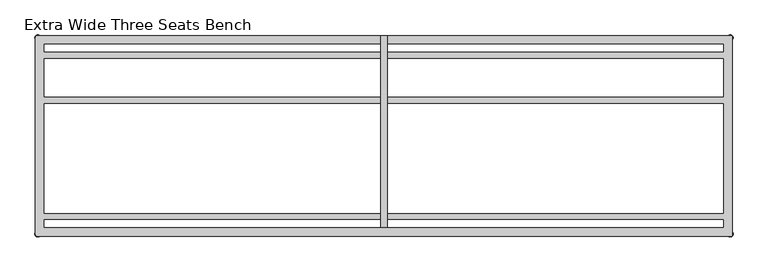
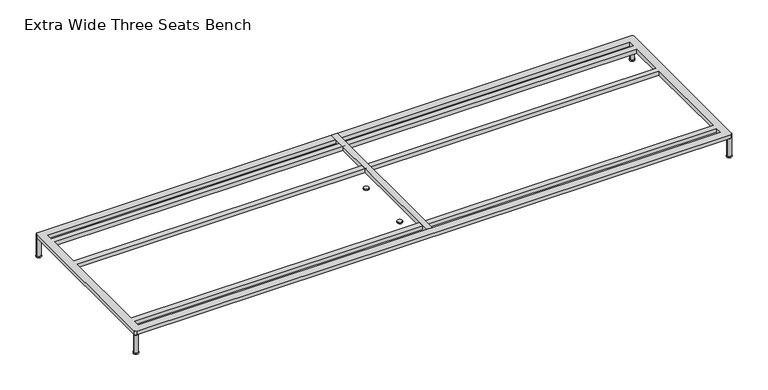
"""IFC4 building model written with IfcOpenShell, lengths in millimetres: furniture geometry, Extra Wide Three Seats Bench."""

import ifcopenshell
import ifcopenshell.guid

model = None  # the IFC model being written
_history = None  # IfcOwnerHistory: only IFC2X3 demands one
_inside = {}  # id of a spatial element -> (the spatial element, [elements in it])
_under = {}  # id of a project, library or spatial element -> (it, [spatial elements below it])
_declared = {}  # id of a project -> (the project, [libraries it declares])
_typed = {}  # id of a type object -> (the type object, [elements of that type])
_made_of = {}  # id of a material, layer set ... -> (it, [elements and type objects made of it])


def new_model(schema):
    """Start an empty IFC model of exactly this schema.

    Asked for "IFC4X3", IfcOpenShell would pick the latest addendum, in which some entities
    have other attributes; the version numbers below select the first issue.
    IFC2X3 requires an IfcOwnerHistory on every rooted entity: one is made here for all.
    """
    global model, _history
    if schema == "IFC4X3":
        model = ifcopenshell.file(schema_version=(4, 3, 0, 0))
    else:
        model = ifcopenshell.file(schema=schema)
    _inside.clear()
    _under.clear()
    _declared.clear()
    _typed.clear()
    _made_of.clear()
    _history = None
    if model.schema == "IFC2X3":
        org = make("IfcOrganization", Name="unknown")
        user = make(
            "IfcPersonAndOrganization",
            ThePerson=make("IfcPerson", FamilyName="unknown"),
            TheOrganization=org,
        )
        app = make(
            "IfcApplication",
            ApplicationDeveloper=org,
            Version="unknown",
            ApplicationFullName="unknown",
            ApplicationIdentifier="unknown",
        )
        _history = make(
            "IfcOwnerHistory",
            OwningUser=user,
            OwningApplication=app,
            ChangeAction="ADDED",
            CreationDate=0,
        )
    return model


def make(cls, **values):
    """One entity of the class cls with the attributes given. An attribute that is None is left unset."""
    return model.create_entity(
        cls, **{name: value for name, value in values.items() if value is not None}
    )


def rooted(cls, **values):
    """An entity with a GlobalId (a new one), such as an element, a storey or a relation."""
    return make(cls, GlobalId=ifcopenshell.guid.new(), OwnerHistory=_history, **values)


def si_unit(unit_type, name, prefix=None):
    """IfcSIUnit, for example si_unit("LENGTHUNIT", "METRE", prefix="MILLI")."""
    return make("IfcSIUnit", UnitType=unit_type, Prefix=prefix, Name=name)


def assignment(units):
    """IfcUnitAssignment: the units of a project."""
    return None if units is None else make("IfcUnitAssignment", Units=units)


def point(xyz):
    """IfcCartesianPoint."""
    return None if xyz is None else make("IfcCartesianPoint", Coordinates=xyz)


def direction(xyz):
    """IfcDirection."""
    return None if xyz is None else make("IfcDirection", DirectionRatios=xyz)


def frame(location, z_axis=None, x_axis=None):
    """IfcAxis2Placement3D, a coordinate frame: its origin and axes. An axis left out is left unset."""
    return make(
        "IfcAxis2Placement3D",
        Location=point(location),
        Axis=direction(z_axis),
        RefDirection=direction(x_axis),
    )


def frame_2d(location, x_axis=None):
    """IfcAxis2Placement2D, a coordinate frame in the plane: its origin and x axis."""
    return make(
        "IfcAxis2Placement2D", Location=point(location), RefDirection=direction(x_axis)
    )


def origin():
    """The frame at (0, 0, 0) with its axes left unset."""
    return frame((0.0, 0.0, 0.0))


def origin_with_axes():
    """The frame at (0, 0, 0) with the z axis (0, 0, 1) and the x axis (1, 0, 0) written out."""
    return frame((0.0, 0.0, 0.0), z_axis=(0.0, 0.0, 1.0), x_axis=(1.0, 0.0, 0.0))


def place(relative_to, where):
    """IfcLocalPlacement: puts the frame where relative to a parent placement (None: the world)."""
    return make(
        "IfcLocalPlacement", PlacementRelTo=relative_to, RelativePlacement=where
    )


def context(
    kind, dimensions, precision=None, world=None, true_north=None, identifier=None
):
    """IfcGeometricRepresentationContext, for example the 3D "Model" context."""
    return make(
        "IfcGeometricRepresentationContext",
        ContextIdentifier=identifier,
        ContextType=kind,
        CoordinateSpaceDimension=dimensions,
        Precision=precision,
        WorldCoordinateSystem=world,
        TrueNorth=true_north,
    )


def project(units=None, contexts=None):
    """IfcProject with its units and contexts."""
    return rooted(
        "IfcProject",
        Name="project",
        RepresentationContexts=contexts,
        UnitsInContext=assignment(units),
    )


def spatial(cls, under=None, at=None, **own):
    """A site, building, storey or space (cls), placed at a placement, below another one or the project."""
    s = rooted(cls, ObjectPlacement=at, **own)
    if under is not None:
        _under.setdefault(under.id(), (under, []))[1].append(s)
    return s


def polyline(points):
    """IfcPolyline through the points."""
    return make("IfcPolyline", Points=[point(p) for p in points])


def circle_curve(where, radius):
    """IfcCircle in the frame where."""
    return make("IfcCircle", Position=where, Radius=radius)


def trimmed(basis, trim1, trim2, sense, master):
    """IfcTrimmedCurve: the piece of a basis curve between two trims."""
    return make(
        "IfcTrimmedCurve",
        BasisCurve=basis,
        Trim1=trim1,
        Trim2=trim2,
        SenseAgreement=sense,
        MasterRepresentation=master,
    )


def segment(curve, same_sense, transition):
    """IfcCompositeCurveSegment."""
    return make(
        "IfcCompositeCurveSegment",
        Transition=transition,
        SameSense=same_sense,
        ParentCurve=curve,
    )


def composite_curve(segments, self_intersect=None):
    """IfcCompositeCurve: segments joined end to end."""
    return make("IfcCompositeCurve", Segments=segments, SelfIntersect=self_intersect)


def outline(outer, holes=None, kind="AREA"):
    """IfcArbitraryClosedProfileDef: a profile drawn as a closed curve; with holes, ...WithVoids."""
    if holes is None:
        return make("IfcArbitraryClosedProfileDef", ProfileType=kind, OuterCurve=outer)
    return make(
        "IfcArbitraryProfileDefWithVoids",
        ProfileType=kind,
        OuterCurve=outer,
        InnerCurves=holes,
    )


def extrude(swept, where, along, depth):
    """IfcExtrudedAreaSolid: the profile swept, set in the frame where, extruded along a direction by depth."""
    return make(
        "IfcExtrudedAreaSolid",
        SweptArea=swept,
        Position=where,
        ExtrudedDirection=direction(along),
        Depth=depth,
    )


def shape(context_of_items, identifier, shape_type, items):
    """IfcShapeRepresentation: the items that make up one representation, for example the "Body"."""
    return make(
        "IfcShapeRepresentation",
        ContextOfItems=context_of_items,
        RepresentationIdentifier=identifier,
        RepresentationType=shape_type,
        Items=items,
    )


def source(mapping_origin, context_of_items, identifier, shape_type, items):
    """IfcRepresentationMap: a shape defined once, which mapped items show again and again."""
    return make(
        "IfcRepresentationMap",
        MappingOrigin=mapping_origin,
        MappedRepresentation=shape(context_of_items, identifier, shape_type, items),
    )


def transform(
    local_origin,
    x_axis=None,
    y_axis=None,
    z_axis=None,
    scale=None,
    scale2=None,
    scale3=None,
    uniform=True,
):
    """IfcCartesianTransformationOperator3D, or its non-uniform kind. x_axis, y_axis, z_axis: its Axis1, 2, 3."""
    if uniform:
        return make(
            "IfcCartesianTransformationOperator3D",
            Axis1=direction(x_axis),
            Axis2=direction(y_axis),
            LocalOrigin=point(local_origin),
            Scale=scale,
            Axis3=direction(z_axis),
        )
    return make(
        "IfcCartesianTransformationOperator3DnonUniform",
        Axis1=direction(x_axis),
        Axis2=direction(y_axis),
        LocalOrigin=point(local_origin),
        Scale=scale,
        Axis3=direction(z_axis),
        Scale2=scale2,
        Scale3=scale3,
    )


def mapped(mapping_source, mapping_target):
    """IfcMappedItem: shows the shape of a source again, moved by a transform."""
    return make(
        "IfcMappedItem", MappingSource=mapping_source, MappingTarget=mapping_target
    )


def made_of(thing, what):
    """Note that an element or type object is made of a material, layer set ...; save() writes the relation."""
    if what is not None:
        _made_of.setdefault(what.id(), (what, []))[1].append(thing)
    return thing


def element(
    cls,
    number,
    at=None,
    inside=None,
    cuts=None,
    type_object=None,
    material=None,
    context=None,
    identifier="Body",
    shape_type=None,
    held_by="IfcProductDefinitionShape",
    body=None,
    shapes=None,
    **own,
):
    """One element of the class cls, such as IfcWall. Its Tag is "e" and its number.

    at: its placement. inside: the storey or other place that contains it. cuts: it is an
    opening in that element (IfcRelVoidsElement). A single representation is given by context,
    identifier, shape_type and body (its items); several are given by shapes. held_by: the class
    of the entity that holds the representations. save() writes the other relations.
    """
    e = rooted(cls, Tag="e%d" % number, ObjectPlacement=at, **own)
    if body is not None:
        shapes = [shape(context, identifier, shape_type, body)]
    if shapes is not None:
        e.Representation = make(held_by, Representations=shapes)
    if inside is not None:
        _inside.setdefault(inside.id(), (inside, []))[1].append(e)
    if cuts is not None:
        rooted(
            "IfcRelVoidsElement", RelatingBuildingElement=cuts, RelatedOpeningElement=e
        )
    if type_object is not None:
        _typed.setdefault(type_object.id(), (type_object, []))[1].append(e)
    return made_of(e, material)


def aggregate(whole, parts):
    """IfcRelAggregates: a whole, such as a stair, and the parts it consists of."""
    return rooted("IfcRelAggregates", RelatingObject=whole, RelatedObjects=parts)


def save(model, path):
    """Write the relations noted so far, then the file.

    IfcRelAggregates (storeys below a building ...), IfcRelContainedInSpatialStructure (elements
    in a storey), IfcRelDefinesByType, IfcRelAssociatesMaterial and IfcRelDeclares: one each for
    every whole, place, type object, material and project.
    """
    for whole, parts in _under.values():
        aggregate(whole, parts)
    for where, things in _inside.values():
        rooted(
            "IfcRelContainedInSpatialStructure",
            RelatedElements=things,
            RelatingStructure=where,
        )
    for kind, things in _typed.values():
        rooted("IfcRelDefinesByType", RelatedObjects=things, RelatingType=kind)
    for what, things in _made_of.values():
        rooted("IfcRelAssociatesMaterial", RelatedObjects=things, RelatingMaterial=what)
    for by, libraries in _declared.values():
        rooted("IfcRelDeclares", RelatingContext=by, RelatedDefinitions=libraries)
    model.write(path)


def extra_wide_three_seats_bench_c3a6f9d3(model_context):
    return source(origin(), model_context, "Body", "SweptSolid", [
        extrude(outline(composite_curve([segment(trimmed(circle_curve(frame_2d((-155.4452882, -433.7002937)), 12.5000005), [point((-167.9452886, -433.7002937))], [point((-142.9452877, -433.7002937))], False, "CARTESIAN"), True, "CONTINUOUS"), segment(trimmed(circle_curve(frame_2d((-155.4452882, -433.7002937)), 12.5000005), [point((-142.9452877, -433.7002937))], [point((-167.9452886, -433.7002937))], False, "CARTESIAN"), True, "CONTINUOUS")], self_intersect=False)), origin_with_axes(), (0.0, 0.0, 1.0), 6.0),
        extrude(outline(composite_curve([segment(trimmed(circle_curve(frame_2d((-155.4452882, -133.6667163)), 12.5000005), [point((-167.9452886, -133.6667163))], [point((-142.9452877, -133.6667163))], False, "CARTESIAN"), True, "CONTINUOUS"), segment(trimmed(circle_curve(frame_2d((-155.4452882, -133.6667163)), 12.5000005), [point((-142.9452877, -133.6667163))], [point((-167.9452886, -133.6667163))], False, "CARTESIAN"), True, "CONTINUOUS")], self_intersect=False)), origin_with_axes(), (0.0, 0.0, 1.0), 6.0),
        extrude(outline(polyline([(-169.7406049, -696.2002953), (-169.7406049, 153.6358637), (-139.7406192, 153.6358637), (-139.7406192, -696.2002953), (-169.7406049, -696.2002953)])), frame((0.0, 0.0, 103.6569541), z_axis=(0.0, 0.0, 1.0), x_axis=(1.0, 0.0, 0.0)), (0.0, 0.0, 1.0), 20.3430443),
        extrude(outline(composite_curve([segment(trimmed(circle_curve(frame_2d((-1689.070311, 143.787786)), 12.5000005), [point((-1701.5703115, 143.787786))], [point((-1676.5703105, 143.787786))], False, "CARTESIAN"), True, "CONTINUOUS"), segment(trimmed(circle_curve(frame_2d((-1689.070311, 143.787786)), 12.5000005), [point((-1676.5703105, 143.787786))], [point((-1701.5703115, 143.787786))], False, "CARTESIAN"), True, "CONTINUOUS")], self_intersect=False)), origin_with_axes(), (0.0, 0.0, 1.0), 6.0),
        extrude(outline(composite_curve([segment(trimmed(circle_curve(frame_2d((-1689.070311, -726.2491859)), 12.5000005), [point((-1701.5703115, -726.2491859))], [point((-1676.5703105, -726.2491859))], False, "CARTESIAN"), True, "CONTINUOUS"), segment(trimmed(circle_curve(frame_2d((-1689.070311, -726.2491859)), 12.5000005), [point((-1676.5703105, -726.2491859))], [point((-1701.5703115, -726.2491859))], False, "CARTESIAN"), True, "CONTINUOUS")], self_intersect=False)), origin_with_axes(), (0.0, 0.0, 1.0), 6.0),
        extrude(outline(composite_curve([segment(trimmed(circle_curve(frame_2d((1379.7672347, 143.787786)), 12.5000005), [point((1367.2672342, 143.787786))], [point((1392.2672352, 143.787786))], False, "CARTESIAN"), True, "CONTINUOUS"), segment(trimmed(circle_curve(frame_2d((1379.7672347, 143.787786)), 12.5000005), [point((1392.2672352, 143.787786))], [point((1367.2672342, 143.787786))], False, "CARTESIAN"), True, "CONTINUOUS")], self_intersect=False)), origin_with_axes(), (0.0, 0.0, 1.0), 6.0),
        extrude(outline(composite_curve([segment(trimmed(circle_curve(frame_2d((1379.6726028, -726.2033172)), 12.5000005), [point((1367.1726024, -726.2033172))], [point((1392.1726033, -726.2033172))], False, "CARTESIAN"), True, "CONTINUOUS"), segment(trimmed(circle_curve(frame_2d((1379.6726028, -726.2033172)), 12.5000005), [point((1392.1726033, -726.2033172))], [point((1367.1726024, -726.2033172))], False, "CARTESIAN"), True, "CONTINUOUS")], self_intersect=False)), origin_with_axes(), (0.0, 0.0, 1.0), 6.0),
        extrude(outline(composite_curve([segment(trimmed(circle_curve(frame_2d((-1689.070311, 143.787786)), 10.4664203), [point((-1699.5367314, 143.787786))], [point((-1678.6038907, 143.787786))], False, "CARTESIAN"), True, "CONTINUOUS"), segment(trimmed(circle_curve(frame_2d((-1689.070311, 143.787786)), 10.4664203), [point((-1678.6038907, 143.787786))], [point((-1699.5367314, 143.787786))], False, "CARTESIAN"), True, "CONTINUOUS")], self_intersect=False)), origin_with_axes(), (0.0, 0.0, 1.0), 103.6569541),
        extrude(outline(composite_curve([segment(trimmed(circle_curve(frame_2d((1379.7417227, -726.1628448)), 10.4664203), [point((1369.2753024, -726.1628448))], [point((1390.2081431, -726.1628448))], False, "CARTESIAN"), True, "CONTINUOUS"), segment(trimmed(circle_curve(frame_2d((1379.7417227, -726.1628448)), 10.4664203), [point((1390.2081431, -726.1628448))], [point((1369.2753024, -726.1628448))], False, "CARTESIAN"), True, "CONTINUOUS")], self_intersect=False)), origin_with_axes(), (0.0, 0.0, 1.0), 103.6569541),
        extrude(outline(composite_curve([segment(trimmed(circle_curve(frame_2d((1379.8202147, 143.7799368)), 10.4664203), [point((1369.3537944, 143.7799368))], [point((1390.286635, 143.7799368))], False, "CARTESIAN"), True, "CONTINUOUS"), segment(trimmed(circle_curve(frame_2d((1379.8202147, 143.7799368)), 10.4664203), [point((1390.286635, 143.7799368))], [point((1369.3537944, 143.7799368))], False, "CARTESIAN"), True, "CONTINUOUS")], self_intersect=False)), origin_with_axes(), (0.0, 0.0, 1.0), 103.6569541),
        extrude(outline(composite_curve([segment(trimmed(circle_curve(frame_2d((-1688.9989857, -726.0945909)), 10.4664203), [point((-1699.4654061, -726.0945909))], [point((-1678.5325654, -726.0945909))], False, "CARTESIAN"), True, "CONTINUOUS"), segment(trimmed(circle_curve(frame_2d((-1688.9989857, -726.0945909)), 10.4664203), [point((-1678.5325654, -726.0945909))], [point((-1699.4654061, -726.0945909))], False, "CARTESIAN"), True, "CONTINUOUS")], self_intersect=False)), origin_with_axes(), (0.0, 0.0, 1.0), 103.6569541),
        extrude(outline(composite_curve([segment(polyline([(-1689.5163796, 153.6358637), (1380.0351554, 153.6358637)]), True, "CONTINUOUS"), segment(trimmed(circle_curve(frame_2d((1380.0351554, 144.0819322)), 9.5539314), [point((1380.0351554, 153.6358637))], [point((1389.5890868, 144.0819322))], False, "CARTESIAN"), True, "CONTINUOUS"), segment(polyline([(1389.5890868, 144.0819322), (1389.5890868, -728.9954927)]), True, "CONTINUOUS"), segment(trimmed(circle_curve(frame_2d((1382.3961728, -728.9954927)), 7.192914), [point((1389.5890868, -728.9954927))], [point((1382.3961728, -736.1884068))], False, "CARTESIAN"), True, "CONTINUOUS"), segment(polyline([(1382.3961728, -736.1884068), (-1689.2675349, -736.1884068)]), True, "CONTINUOUS"), segment(trimmed(circle_curve(frame_2d((-1689.2675349, -726.3856306)), 9.8027761), [point((-1689.2675349, -736.1884068))], [point((-1699.070311, -726.3856306))], False, "CARTESIAN"), True, "CONTINUOUS"), segment(polyline([(-1699.070311, -726.3856306), (-1699.070311, 144.0819322)]), True, "CONTINUOUS"), segment(trimmed(circle_curve(frame_2d((-1689.5163796, 144.0819322)), 9.5539314), [point((-1699.070311, 144.0819322))], [point((-1689.5163796, 153.6358637))], False, "CARTESIAN"), True, "CONTINUOUS")], self_intersect=False), holes=[polyline([(-1659.0822296, -663.7579623), (-1659.0822296, -696.2002953), (1349.6908076, -696.2002953), (1349.6908076, -663.7579623), (-1659.0822296, -663.7579623)]), polyline([(-1659.0822296, 113.7997046), (-1659.0822296, 81.2997034), (1349.6908076, 81.2997034), (1349.6908076, 113.7997046), (-1659.0822296, 113.7997046)]), polyline([(-1659.0822296, -148.700302), (-1659.0822296, -633.7579584), (1349.6908076, -633.7579584), (1349.6908076, -148.700302), (-1659.0822296, -148.700302)]), polyline([(1349.6908076, 51.2996995), (-1659.0822296, 51.2996995), (-1659.0822296, -118.7002981), (1349.6908076, -118.7002981), (1349.6908076, 51.2996995)])]), frame((0.0, 0.0, 103.6569541), z_axis=(0.0, 0.0, 1.0), x_axis=(1.0, 0.0, 0.0)), (0.0, 0.0, 1.0), 20.3430443),
    ])


if __name__ == "__main__":
    model = new_model("IFC4")
    model_context = context("Model", 3, world=origin())
    ifc_project = project(units=[si_unit("LENGTHUNIT", "METRE", prefix="MILLI")], contexts=[model_context])
    site = spatial("IfcSite", under=ifc_project)
    building = spatial("IfcBuilding", under=site)
    placement = place(None, origin())
    extra_wide_three_seats_bench_shape = extra_wide_three_seats_bench_c3a6f9d3(model_context)
    element("IfcFurniture", 1, ObjectType="Extra Wide Three Seats Bench", at=placement, inside=building, context=model_context, shape_type="MappedRepresentation", body=[
        mapped(extra_wide_three_seats_bench_shape, transform((0.0, 0.0, 0.0), x_axis=(1.0, 0.0, 0.0), y_axis=(0.0, 1.0, 0.0), z_axis=(0.0, 0.0, 1.0))),
    ])
    save(model, "model.ifc")
